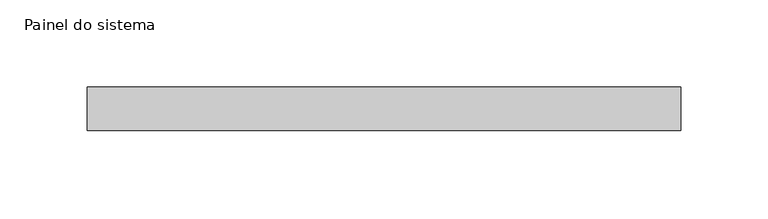
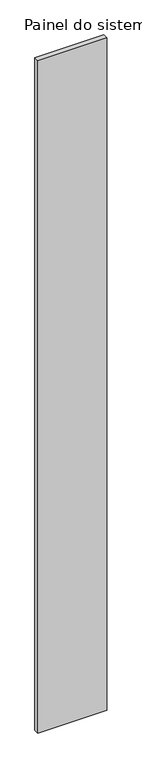
"""IFC4 building model written with IfcOpenShell, lengths in millimetres: plate geometry, Painel do sistema."""

from ifc_helpers import new_model, si_unit, origin, origin_with_axes, place, context, project, spatial, polyline, outline, extrude, source, transform, mapped, element, save


def painel_do_sistema_53fab5c2(model_context):
    return source(origin(), model_context, "Body", "SweptSolid", [
        extrude(outline(polyline([(169.9999998, 24.5), (-169.9999998, 24.5), (-169.9999998, 49.5), (169.9999998, 49.5), (169.9999998, 24.5)])), origin_with_axes(), (0.0, 0.0, 1.0), 3500.0),
    ])


if __name__ == "__main__":
    model = new_model("IFC4")
    model_context = context("Model", 3, world=origin())
    ifc_project = project(units=[si_unit("LENGTHUNIT", "METRE", prefix="MILLI")], contexts=[model_context])
    site = spatial("IfcSite", under=ifc_project)
    building = spatial("IfcBuilding", under=site)
    placement = place(None, origin())
    painel_do_sistema_shape = painel_do_sistema_53fab5c2(model_context)
    element("IfcPlate", 1, ObjectType="Painel do sistema", at=placement, inside=building, context=model_context, shape_type="MappedRepresentation", body=[
        mapped(painel_do_sistema_shape, transform((0.0, 0.0, 0.0), x_axis=(1.0, 0.0, 0.0), y_axis=(0.0, 1.0, 0.0), z_axis=(0.0, 0.0, 1.0))),
    ])
    save(model, "model.ifc")
